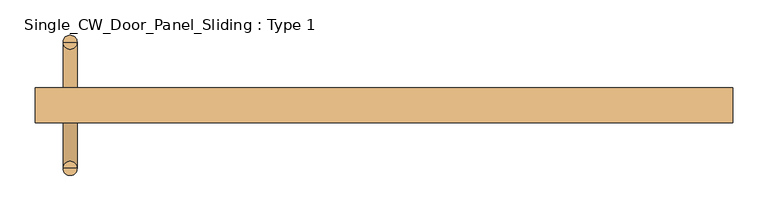
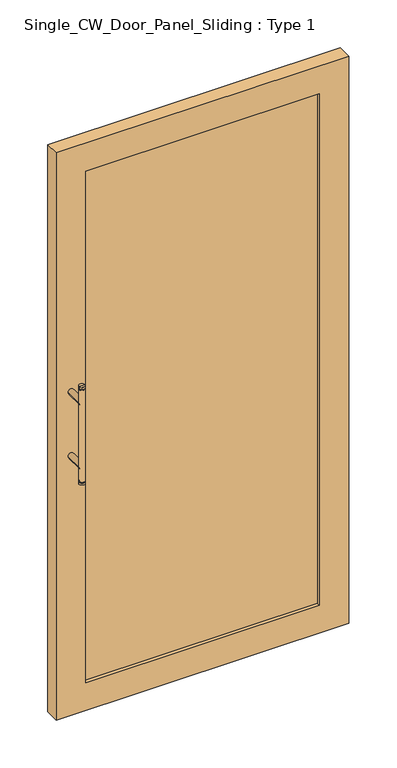
"""IFC4 building model written with IfcOpenShell, lengths in millimetres: door geometry, Single_CW_Door_Panel_Sliding : Type 1."""

from ifc_helpers import new_model, si_unit, point, frame, frame_2d, origin, place, context, project, spatial, polyline, circle_curve, trimmed, segment, composite_curve, outline, extrude, source, transform, mapped, element, save
from ifc_brep_helpers import plane_surface, cylinder_surface, advanced_brep


def single_cw_door_panel_sliding_type_1_88a92f08(model_context):
    return source(origin(), model_context, "Body", "SolidModel", [
        advanced_brep(
        [(-437.5, 20.0, 1219.0), (-457.5, 20.0, 1219.0), (-457.5, 20.0, 1225.0), (-437.5, 20.0, 1225.0), (-455.5323501, 20.0, 1214.7650043), (-439.4676499, 20.0, 1214.7650043), (-439.4676499, 20.0, 1219.0), (-455.5323501, 20.0, 1219.0), (-437.5, 20.0, 1214.7650043), (-457.5, 20.0, 1214.7650043), (-437.5, 20.0, 885.2349957), (-457.5, 20.0, 885.2349957), (-439.4676499, 20.0, 885.2349957), (-455.5323501, 20.0, 885.2349957), (-439.4676499, 20.0, 881.0), (-455.5323501, 20.0, 881.0), (-437.5, 20.0, 881.0), (-457.5, 20.0, 881.0), (-437.5, 20.0, 875.0), (-457.5, 20.0, 875.0), (-447.5, 20.0, 875.0), (-447.5, 20.0, 1225.0)],
        [
            (0, 1, circle_curve(frame((-447.5, 20.0, 1219.0), z_axis=(0.0, 0.0, 1.0), x_axis=(-1.0, 0.0, 0.0)), 10.0)),
            (1, 2),
            (2, 3, circle_curve(frame((-447.5, 20.0, 1225.0), z_axis=(0.0, 0.0, -1.0), x_axis=(-1.0, 0.0, 0.0)), 10.0)),
            (3, 0),
            (4, 5, circle_curve(frame((-447.5, 20.0, 1214.7650043), z_axis=(0.0, 0.0, 1.0), x_axis=(-1.0, 0.0, 0.0)), 8.0323501)),
            (5, 6),
            (6, 7, circle_curve(frame((-447.5, 20.0, 1219.0), z_axis=(0.0, 0.0, -1.0), x_axis=(-1.0, 0.0, 0.0)), 8.0323501)),
            (7, 4),
            (1, 0, circle_curve(frame((-447.5, 20.0, 1219.0), z_axis=(0.0, 0.0, 1.0), x_axis=(-1.0, 0.0, 0.0)), 10.0)),
            (3, 2, circle_curve(frame((-447.5, 20.0, 1225.0), z_axis=(0.0, 0.0, -1.0), x_axis=(-1.0, 0.0, 0.0)), 10.0)),
            (6, 7, circle_curve(frame((-447.5, 20.0, 1219.0), z_axis=(0.0, 0.0, 1.0), x_axis=(-1.0, 0.0, 0.0)), 8.0323501)),
            (7, 1),
            (0, 6),
            (5, 4, circle_curve(frame((-447.5, 20.0, 1214.7650043), z_axis=(0.0, 0.0, 1.0), x_axis=(-1.0, 0.0, 0.0)), 8.0323501)),
            (8, 9, circle_curve(frame((-447.5, 20.0, 1214.7650043), z_axis=(0.0, 0.0, 1.0), x_axis=(-1.0, 0.0, 0.0)), 10.0)),
            (9, 4),
            (5, 8),
            (9, 8, circle_curve(frame((-447.5, 20.0, 1214.7650043), z_axis=(0.0, 0.0, 1.0), x_axis=(-1.0, 0.0, 0.0)), 10.0)),
            (10, 11, circle_curve(frame((-447.5, 20.0, 885.2349957), z_axis=(0.0, 0.0, 1.0), x_axis=(-1.0, 0.0, 0.0)), 10.0)),
            (11, 9),
            (8, 10),
            (11, 10, circle_curve(frame((-447.5, 20.0, 885.2349957), z_axis=(0.0, 0.0, 1.0), x_axis=(-1.0, 0.0, 0.0)), 10.0)),
            (12, 13, circle_curve(frame((-447.5, 20.0, 885.2349957), z_axis=(0.0, 0.0, 1.0), x_axis=(-1.0, 0.0, 0.0)), 8.0323501)),
            (13, 11),
            (10, 12),
            (13, 12, circle_curve(frame((-447.5, 20.0, 885.2349957), z_axis=(0.0, 0.0, 1.0), x_axis=(-1.0, 0.0, 0.0)), 8.0323501)),
            (14, 15, circle_curve(frame((-447.5, 20.0, 881.0), z_axis=(0.0, 0.0, 1.0), x_axis=(-1.0, 0.0, 0.0)), 8.0323501)),
            (15, 13),
            (12, 14),
            (15, 14, circle_curve(frame((-447.5, 20.0, 881.0), z_axis=(0.0, 0.0, 1.0), x_axis=(-1.0, 0.0, 0.0)), 8.0323501)),
            (16, 17, circle_curve(frame((-447.5, 20.0, 881.0), z_axis=(0.0, 0.0, 1.0), x_axis=(-1.0, 0.0, 0.0)), 10.0)),
            (17, 15),
            (14, 16),
            (17, 16, circle_curve(frame((-447.5, 20.0, 881.0), z_axis=(0.0, 0.0, 1.0), x_axis=(-1.0, 0.0, 0.0)), 10.0)),
            (18, 19, circle_curve(frame((-447.5, 20.0, 875.0), z_axis=(0.0, 0.0, 1.0), x_axis=(-1.0, 0.0, 0.0)), 10.0)),
            (19, 17),
            (16, 18),
            (19, 18, circle_curve(frame((-447.5, 20.0, 875.0), z_axis=(0.0, 0.0, 1.0), x_axis=(-1.0, 0.0, 0.0)), 10.0)),
            (20, 19),
            (18, 20),
            (2, 21),
            (21, 3),
        ],
        [
            cylinder_surface(frame((-447.5, 20.0, 850.0), z_axis=(0.0, 0.0, -1.0), x_axis=(-1.0, 0.0, 0.0)), 10.0),
            cylinder_surface(frame((-447.5, 20.0, 850.0), z_axis=(0.0, 0.0, -1.0), x_axis=(-1.0, 0.0, 0.0)), 8.0323501),
            plane_surface(frame((-447.5, 20.0, 1219.0), z_axis=(0.0, 0.0, -1.0), x_axis=(-1.0, 0.0, 0.0))),
            plane_surface(frame((-447.5, 20.0, 1214.7650043), z_axis=(0.0, 0.0, 1.0), x_axis=(-1.0, 0.0, 0.0))),
            plane_surface(frame((-447.5, 20.0, 885.2349957), z_axis=(0.0, 0.0, -1.0), x_axis=(-1.0, 0.0, 0.0))),
            plane_surface(frame((-447.5, 20.0, 881.0), z_axis=(0.0, 0.0, 1.0), x_axis=(-1.0, 0.0, 0.0))),
            plane_surface(frame((-447.5, 20.0, 875.0), z_axis=(0.0, 0.0, -1.0), x_axis=(-1.0, 0.0, 0.0))),
            plane_surface(frame((-447.5, 20.0, 1225.0), z_axis=(0.0, 0.0, 1.0), x_axis=(-1.0, 0.0, 0.0))),
        ],
        [
            (0, [[1, 2, 3, 4]]),
            (1, [[5, 6, 7, 8]]),
            (0, [[9, -4, 10, -2]]),
            (2, [[11, 12, -1, 13]]),
            (2, [[-7, -13, -9, -12]]),
            (1, [[14, -8, -11, -6]]),
            (3, [[15, 16, -14, 17]]),
            (3, [[18, -17, -5, -16]]),
            (0, [[19, 20, -15, 21]]),
            (0, [[22, -21, -18, -20]]),
            (4, [[23, 24, -19, 25]]),
            (4, [[26, -25, -22, -24]]),
            (1, [[27, 28, -23, 29]]),
            (1, [[30, -29, -26, -28]]),
            (5, [[31, 32, -27, 33]]),
            (5, [[34, -33, -30, -32]]),
            (0, [[35, 36, -31, 37]]),
            (0, [[38, -37, -34, -36]]),
            (6, [[39, -35, 40]]),
            (6, [[-40, -38, -39]]),
            (7, [[-3, 41, 42]]),
            (7, [[-10, -42, -41]]),
        ],
    ),
        extrude(outline(composite_curve([segment(trimmed(circle_curve(frame_2d((935.0, -447.5)), 10.0), [point((935.0, -457.5))], [point((935.0, -437.5))], False, "CARTESIAN"), True, "CONTINUOUS"), segment(trimmed(circle_curve(frame_2d((935.0, -447.5)), 10.0), [point((935.0, -437.5))], [point((935.0, -457.5))], False, "CARTESIAN"), True, "CONTINUOUS")], self_intersect=False)), frame((0.0, -45.0, 0.0), z_axis=(0.0, 1.0, 0.0), x_axis=(0.0, 0.0, 1.0)), (0.0, 0.0, 1.0), 65.0),
        extrude(outline(composite_curve([segment(trimmed(circle_curve(frame_2d((1165.0, -447.5)), 10.0), [point((1165.0, -457.5))], [point((1165.0, -437.5))], False, "CARTESIAN"), True, "CONTINUOUS"), segment(trimmed(circle_curve(frame_2d((1165.0, -447.5)), 10.0), [point((1165.0, -437.5))], [point((1165.0, -457.5))], False, "CARTESIAN"), True, "CONTINUOUS")], self_intersect=False)), frame((0.0, -45.0, 0.0), z_axis=(0.0, 1.0, 0.0), x_axis=(0.0, 0.0, 1.0)), (0.0, 0.0, 1.0), 65.0),
        extrude(outline(polyline([(397.5, -57.5), (397.5, -82.5), (-397.5, -82.5), (-397.5, -57.5), (397.5, -57.5)])), frame((0.0, 0.0, 100.0), z_axis=(0.0, 0.0, 1.0), x_axis=(1.0, 0.0, 0.0)), (0.0, 0.0, 1.0), 1839.3572971),
        extrude(outline(polyline([(2039.3572971, 497.5), (2039.3572971, -497.5), (0.0, -497.5), (0.0, 497.5), (2039.3572971, 497.5)]), holes=[polyline([(1939.3572971, 397.5), (100.0, 397.5), (100.0, -397.5), (1939.3572971, -397.5), (1939.3572971, 397.5)])]), frame((0.0, -95.0, 0.0), z_axis=(0.0, 1.0, 0.0), x_axis=(0.0, 0.0, 1.0)), (0.0, 0.0, 1.0), 50.0),
        advanced_brep(
        [(-437.5, -160.0, 1219.0), (-437.5, -160.0, 1225.0), (-457.5, -160.0, 1225.0), (-457.5, -160.0, 1219.0), (-455.5323501, -160.0, 1214.7650043), (-455.5323501, -160.0, 1219.0), (-439.4676499, -160.0, 1219.0), (-439.4676499, -160.0, 1214.7650043), (-437.5, -160.0, 1214.7650043), (-457.5, -160.0, 1214.7650043), (-437.5, -160.0, 885.2349957), (-457.5, -160.0, 885.2349957), (-439.4676499, -160.0, 885.2349957), (-455.5323501, -160.0, 885.2349957), (-439.4676499, -160.0, 881.0), (-455.5323501, -160.0, 881.0), (-437.5, -160.0, 881.0), (-457.5, -160.0, 881.0), (-437.5, -160.0, 875.0), (-457.5, -160.0, 875.0), (-447.5, -160.0, 875.0), (-447.5, -160.0, 1225.0)],
        [
            (0, 1),
            (1, 2, circle_curve(frame((-447.5, -160.0, 1225.0), z_axis=(0.0, 0.0, -1.0), x_axis=(-1.0, 0.0, 0.0)), 10.0)),
            (2, 3),
            (3, 0, circle_curve(frame((-447.5, -160.0, 1219.0), z_axis=(0.0, 0.0, 1.0), x_axis=(-1.0, 0.0, 0.0)), 10.0)),
            (4, 5),
            (5, 6, circle_curve(frame((-447.5, -160.0, 1219.0), z_axis=(0.0, 0.0, -1.0), x_axis=(-1.0, 0.0, 0.0)), 8.0323501)),
            (6, 7),
            (7, 4, circle_curve(frame((-447.5, -160.0, 1214.7650043), z_axis=(0.0, 0.0, 1.0), x_axis=(-1.0, 0.0, 0.0)), 8.0323501)),
            (2, 1, circle_curve(frame((-447.5, -160.0, 1225.0), z_axis=(0.0, 0.0, -1.0), x_axis=(-1.0, 0.0, 0.0)), 10.0)),
            (0, 3, circle_curve(frame((-447.5, -160.0, 1219.0), z_axis=(0.0, 0.0, 1.0), x_axis=(-1.0, 0.0, 0.0)), 10.0)),
            (6, 0),
            (3, 5),
            (5, 6, circle_curve(frame((-447.5, -160.0, 1219.0), z_axis=(0.0, 0.0, 1.0), x_axis=(-1.0, 0.0, 0.0)), 8.0323501)),
            (4, 7, circle_curve(frame((-447.5, -160.0, 1214.7650043), z_axis=(0.0, 0.0, 1.0), x_axis=(-1.0, 0.0, 0.0)), 8.0323501)),
            (8, 7),
            (4, 9),
            (9, 8, circle_curve(frame((-447.5, -160.0, 1214.7650043), z_axis=(0.0, 0.0, 1.0), x_axis=(-1.0, 0.0, 0.0)), 10.0)),
            (8, 9, circle_curve(frame((-447.5, -160.0, 1214.7650043), z_axis=(0.0, 0.0, 1.0), x_axis=(-1.0, 0.0, 0.0)), 10.0)),
            (10, 8),
            (9, 11),
            (11, 10, circle_curve(frame((-447.5, -160.0, 885.2349957), z_axis=(0.0, 0.0, 1.0), x_axis=(-1.0, 0.0, 0.0)), 10.0)),
            (10, 11, circle_curve(frame((-447.5, -160.0, 885.2349957), z_axis=(0.0, 0.0, 1.0), x_axis=(-1.0, 0.0, 0.0)), 10.0)),
            (12, 10),
            (11, 13),
            (13, 12, circle_curve(frame((-447.5, -160.0, 885.2349957), z_axis=(0.0, 0.0, 1.0), x_axis=(-1.0, 0.0, 0.0)), 8.0323501)),
            (12, 13, circle_curve(frame((-447.5, -160.0, 885.2349957), z_axis=(0.0, 0.0, 1.0), x_axis=(-1.0, 0.0, 0.0)), 8.0323501)),
            (14, 12),
            (13, 15),
            (15, 14, circle_curve(frame((-447.5, -160.0, 881.0), z_axis=(0.0, 0.0, 1.0), x_axis=(-1.0, 0.0, 0.0)), 8.0323501)),
            (14, 15, circle_curve(frame((-447.5, -160.0, 881.0), z_axis=(0.0, 0.0, 1.0), x_axis=(-1.0, 0.0, 0.0)), 8.0323501)),
            (16, 14),
            (15, 17),
            (17, 16, circle_curve(frame((-447.5, -160.0, 881.0), z_axis=(0.0, 0.0, 1.0), x_axis=(-1.0, 0.0, 0.0)), 10.0)),
            (16, 17, circle_curve(frame((-447.5, -160.0, 881.0), z_axis=(0.0, 0.0, 1.0), x_axis=(-1.0, 0.0, 0.0)), 10.0)),
            (18, 16),
            (17, 19),
            (19, 18, circle_curve(frame((-447.5, -160.0, 875.0), z_axis=(0.0, 0.0, 1.0), x_axis=(-1.0, 0.0, 0.0)), 10.0)),
            (18, 19, circle_curve(frame((-447.5, -160.0, 875.0), z_axis=(0.0, 0.0, 1.0), x_axis=(-1.0, 0.0, 0.0)), 10.0)),
            (20, 18),
            (19, 20),
            (1, 21),
            (21, 2),
        ],
        [
            cylinder_surface(frame((-447.5, -160.0, 850.0), z_axis=(0.0, 0.0, -1.0), x_axis=(-1.0, 0.0, 0.0)), 10.0),
            cylinder_surface(frame((-447.5, -160.0, 850.0), z_axis=(0.0, 0.0, -1.0), x_axis=(-1.0, 0.0, 0.0)), 8.0323501),
            plane_surface(frame((-447.5, -160.0, 1219.0), z_axis=(0.0, 0.0, -1.0), x_axis=(-1.0, 0.0, 0.0))),
            plane_surface(frame((-447.5, -160.0, 1214.7650043), z_axis=(0.0, 0.0, 1.0), x_axis=(-1.0, 0.0, 0.0))),
            plane_surface(frame((-447.5, -160.0, 885.2349957), z_axis=(0.0, 0.0, -1.0), x_axis=(-1.0, 0.0, 0.0))),
            plane_surface(frame((-447.5, -160.0, 881.0), z_axis=(0.0, 0.0, 1.0), x_axis=(-1.0, 0.0, 0.0))),
            plane_surface(frame((-447.5, -160.0, 875.0), z_axis=(0.0, 0.0, -1.0), x_axis=(-1.0, 0.0, 0.0))),
            plane_surface(frame((-447.5, -160.0, 1225.0), z_axis=(0.0, 0.0, 1.0), x_axis=(-1.0, 0.0, 0.0))),
        ],
        [
            (0, [[1, 2, 3, 4]]),
            (1, [[5, 6, 7, 8]]),
            (0, [[-3, 9, -1, 10]]),
            (2, [[11, -4, 12, 13]]),
            (2, [[-12, -10, -11, -6]]),
            (1, [[-7, -13, -5, 14]]),
            (3, [[15, -14, 16, 17]]),
            (3, [[-16, -8, -15, 18]]),
            (0, [[19, -17, 20, 21]]),
            (0, [[-20, -18, -19, 22]]),
            (4, [[23, -21, 24, 25]]),
            (4, [[-24, -22, -23, 26]]),
            (1, [[27, -25, 28, 29]]),
            (1, [[-28, -26, -27, 30]]),
            (5, [[31, -29, 32, 33]]),
            (5, [[-32, -30, -31, 34]]),
            (0, [[35, -33, 36, 37]]),
            (0, [[-36, -34, -35, 38]]),
            (6, [[39, -37, 40]]),
            (6, [[-40, -38, -39]]),
            (7, [[41, 42, -2]]),
            (7, [[-42, -41, -9]]),
        ],
    ),
        extrude(outline(composite_curve([segment(trimmed(circle_curve(frame_2d((1165.0, -447.5)), 10.0), [point((1165.0, -457.5))], [point((1165.0, -437.5))], False, "CARTESIAN"), True, "CONTINUOUS"), segment(trimmed(circle_curve(frame_2d((1165.0, -447.5)), 10.0), [point((1165.0, -437.5))], [point((1165.0, -457.5))], False, "CARTESIAN"), True, "CONTINUOUS")], self_intersect=False)), frame((0.0, -160.0, 0.0), z_axis=(0.0, 1.0, 0.0), x_axis=(0.0, 0.0, 1.0)), (0.0, 0.0, 1.0), 65.0),
        extrude(outline(composite_curve([segment(trimmed(circle_curve(frame_2d((935.0, -447.5)), 10.0), [point((935.0, -457.5))], [point((935.0, -437.5))], False, "CARTESIAN"), True, "CONTINUOUS"), segment(trimmed(circle_curve(frame_2d((935.0, -447.5)), 10.0), [point((935.0, -437.5))], [point((935.0, -457.5))], False, "CARTESIAN"), True, "CONTINUOUS")], self_intersect=False)), frame((0.0, -160.0, 0.0), z_axis=(0.0, 1.0, 0.0), x_axis=(0.0, 0.0, 1.0)), (0.0, 0.0, 1.0), 65.0),
    ])


if __name__ == "__main__":
    model = new_model("IFC4")
    model_context = context("Model", 3, world=origin())
    ifc_project = project(units=[si_unit("LENGTHUNIT", "METRE", prefix="MILLI")], contexts=[model_context])
    site = spatial("IfcSite", under=ifc_project)
    building = spatial("IfcBuilding", under=site)
    placement = place(None, origin())
    single_cw_door_panel_sliding_type_1_shape = single_cw_door_panel_sliding_type_1_88a92f08(model_context)
    element("IfcDoor", 1, ObjectType="Single_CW_Door_Panel_Sliding : Type 1", at=placement, inside=building, context=model_context, shape_type="MappedRepresentation", body=[
        mapped(single_cw_door_panel_sliding_type_1_shape, transform((0.0, 0.0, 0.0), x_axis=(1.0, 0.0, 0.0), y_axis=(0.0, 1.0, 0.0), z_axis=(0.0, 0.0, 1.0))),
    ])
    save(model, "model.ifc")
